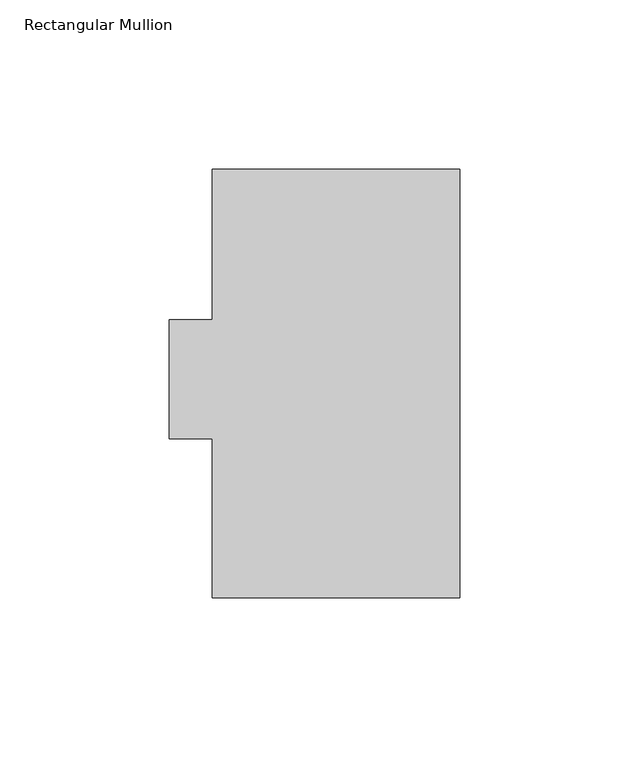
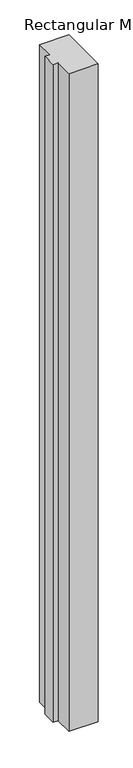
"""IFC4 building model written with IfcOpenShell, lengths in millimetres: member geometry, Rectangular Mullion."""

from ifc_helpers import new_model, si_unit, frame, origin, place, context, project, spatial, polyline, outline, extrude, source, transform, mapped, element, save


def rectangular_mullion_670a7197(model_context):
    return source(origin(), model_context, "Body", "SweptSolid", [
        extrude(outline(polyline([(-73.025, 126.4546938), (0.0, 126.4546938), (0.0, -0.0373062), (-73.025, -0.0373062), (-73.025, 46.8256938), (-85.725, 46.8256938), (-85.725, 82.0046937), (-73.025, 82.0046937), (-73.025, 126.4546938)])), frame((0.0, 0.0, -1739.9), z_axis=(0.0, 0.0, 1.0), x_axis=(1.0, 0.0, 0.0)), (0.0, 0.0, 1.0), 1739.9),
    ])


if __name__ == "__main__":
    model = new_model("IFC4")
    model_context = context("Model", 3, world=origin())
    ifc_project = project(units=[si_unit("LENGTHUNIT", "METRE", prefix="MILLI")], contexts=[model_context])
    site = spatial("IfcSite", under=ifc_project)
    building = spatial("IfcBuilding", under=site)
    placement = place(None, origin())
    rectangular_mullion_shape = rectangular_mullion_670a7197(model_context)
    element("IfcMember", 1, ObjectType="Rectangular Mullion", at=placement, inside=building, context=model_context, shape_type="MappedRepresentation", body=[
        mapped(rectangular_mullion_shape, transform((0.0, 0.0, 0.0), x_axis=(1.0, 0.0, 0.0), y_axis=(0.0, 1.0, 0.0), z_axis=(0.0, 0.0, 1.0))),
    ])
    save(model, "model.ifc")
